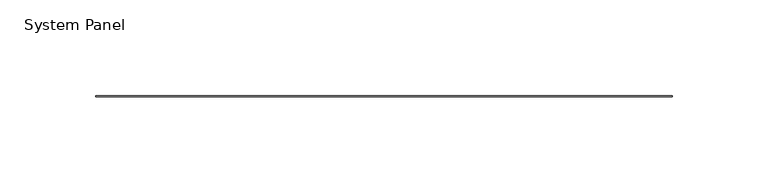
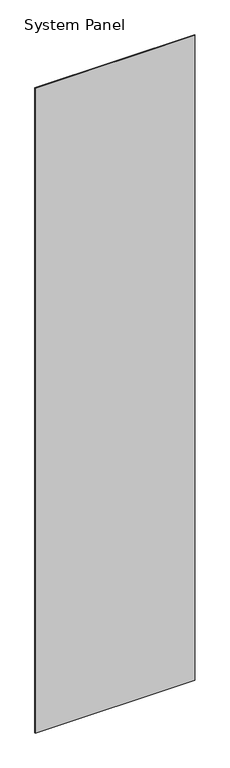
"""IFC4 building model written with IfcOpenShell, lengths in millimetres: plate geometry, System Panel."""

from ifc_helpers import new_model, si_unit, origin, origin_with_axes, place, context, project, spatial, polyline, outline, extrude, source, transform, mapped, element, save


def system_panel_43163beb(model_context):
    return source(origin(), model_context, "Body", "SweptSolid", [
        extrude(outline(polyline([(150.7490002, -0.2976563), (-150.7490002, -0.2976563), (-150.7490002, 0.2976563), (150.7490002, 0.2976563), (150.7490002, -0.2976563)])), origin_with_axes(), (0.0, 0.0, 1.0), 1285.875),
    ])


if __name__ == "__main__":
    model = new_model("IFC4")
    model_context = context("Model", 3, world=origin())
    ifc_project = project(units=[si_unit("LENGTHUNIT", "METRE", prefix="MILLI")], contexts=[model_context])
    site = spatial("IfcSite", under=ifc_project)
    building = spatial("IfcBuilding", under=site)
    placement = place(None, origin())
    system_panel_shape = system_panel_43163beb(model_context)
    element("IfcPlate", 1, ObjectType="System Panel", at=placement, inside=building, context=model_context, shape_type="MappedRepresentation", body=[
        mapped(system_panel_shape, transform((0.0, 0.0, 0.0), x_axis=(1.0, 0.0, 0.0), y_axis=(0.0, 1.0, 0.0), z_axis=(0.0, 0.0, 1.0))),
    ])
    save(model, "model.ifc")
